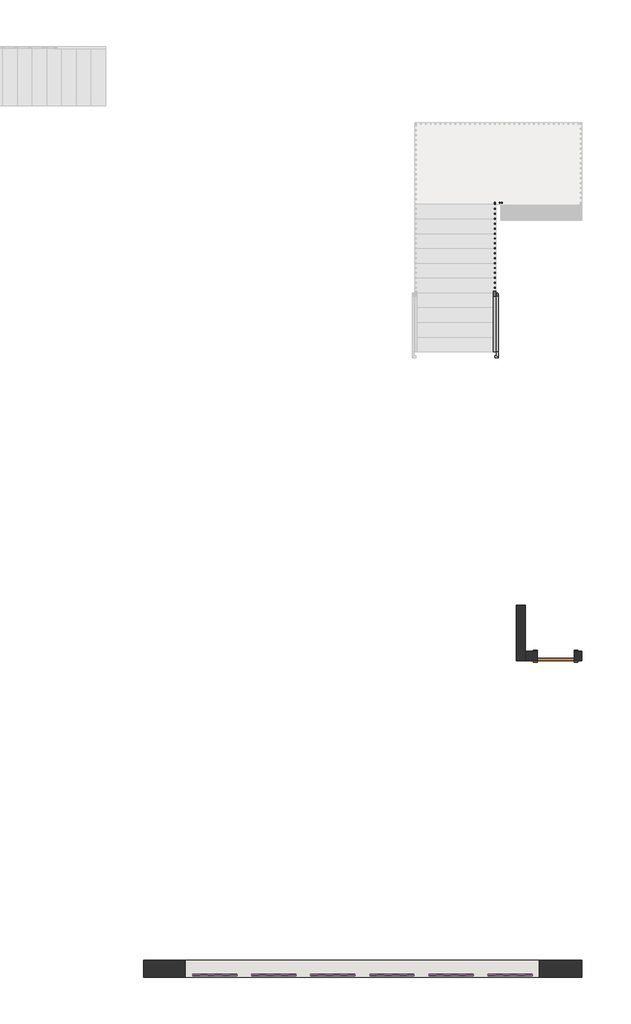
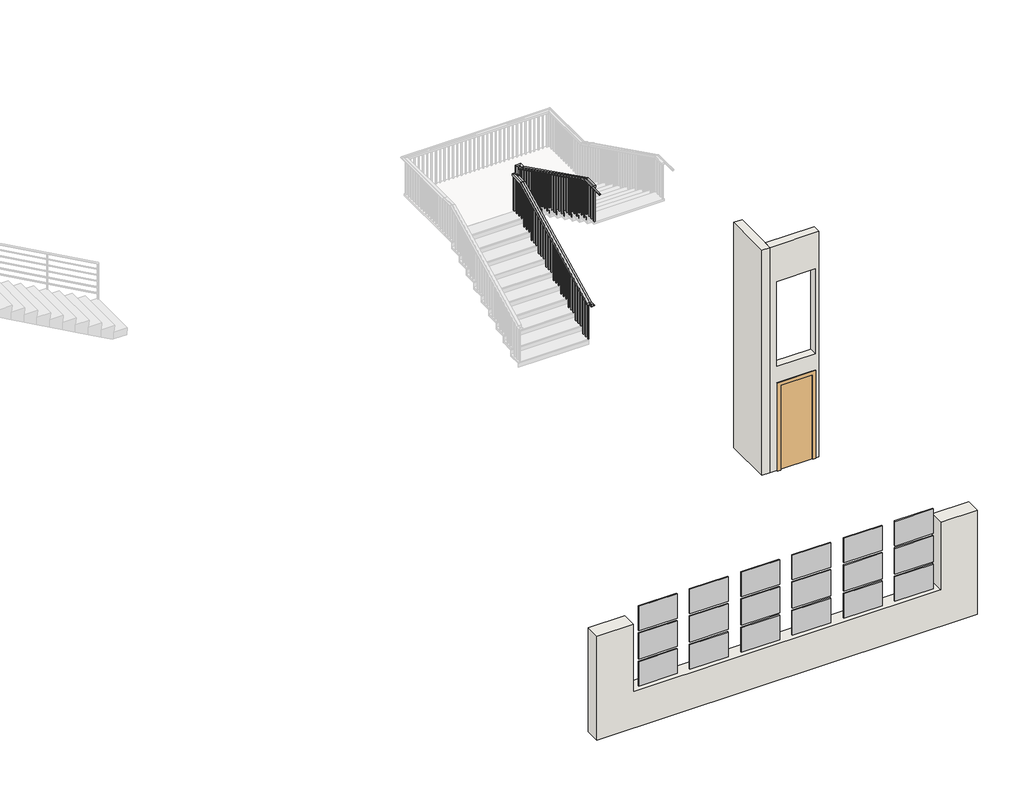
# One storey, part 1 of 3: 18 plates, 3 walls, 1 door, 1 railing.
"""IFC4 building model written with IfcOpenShell, lengths in millimetres."""

import ifcopenshell
import ifcopenshell.guid

model = None  # the IFC model being written
_history = None  # IfcOwnerHistory: only IFC2X3 demands one
_inside = {}  # id of a spatial element -> (the spatial element, [elements in it])
_under = {}  # id of a project, library or spatial element -> (it, [spatial elements below it])
_declared = {}  # id of a project -> (the project, [libraries it declares])
_typed = {}  # id of a type object -> (the type object, [elements of that type])
_made_of = {}  # id of a material, layer set ... -> (it, [elements and type objects made of it])


def new_model(schema):
    """Start an empty IFC model of exactly this schema.

    Asked for "IFC4X3", IfcOpenShell would pick the latest addendum, in which some entities
    have other attributes; the version numbers below select the first issue.
    IFC2X3 requires an IfcOwnerHistory on every rooted entity: one is made here for all.
    """
    global model, _history
    if schema == "IFC4X3":
        model = ifcopenshell.file(schema_version=(4, 3, 0, 0))
    else:
        model = ifcopenshell.file(schema=schema)
    _inside.clear()
    _under.clear()
    _declared.clear()
    _typed.clear()
    _made_of.clear()
    _history = None
    if model.schema == "IFC2X3":
        org = make("IfcOrganization", Name="unknown")
        user = make(
            "IfcPersonAndOrganization",
            ThePerson=make("IfcPerson", FamilyName="unknown"),
            TheOrganization=org,
        )
        app = make(
            "IfcApplication",
            ApplicationDeveloper=org,
            Version="unknown",
            ApplicationFullName="unknown",
            ApplicationIdentifier="unknown",
        )
        _history = make(
            "IfcOwnerHistory",
            OwningUser=user,
            OwningApplication=app,
            ChangeAction="ADDED",
            CreationDate=0,
        )
    return model


def make(cls, **values):
    """One entity of the class cls with the attributes given. An attribute that is None is left unset."""
    return model.create_entity(
        cls, **{name: value for name, value in values.items() if value is not None}
    )


def rooted(cls, **values):
    """An entity with a GlobalId (a new one), such as an element, a storey or a relation."""
    return make(cls, GlobalId=ifcopenshell.guid.new(), OwnerHistory=_history, **values)


def si_unit(unit_type, name, prefix=None):
    """IfcSIUnit, for example si_unit("LENGTHUNIT", "METRE", prefix="MILLI")."""
    return make("IfcSIUnit", UnitType=unit_type, Prefix=prefix, Name=name)


def assignment(units):
    """IfcUnitAssignment: the units of a project."""
    return None if units is None else make("IfcUnitAssignment", Units=units)


def point(xyz):
    """IfcCartesianPoint."""
    return None if xyz is None else make("IfcCartesianPoint", Coordinates=xyz)


def direction(xyz):
    """IfcDirection."""
    return None if xyz is None else make("IfcDirection", DirectionRatios=xyz)


def frame(location, z_axis=None, x_axis=None):
    """IfcAxis2Placement3D, a coordinate frame: its origin and axes. An axis left out is left unset."""
    return make(
        "IfcAxis2Placement3D",
        Location=point(location),
        Axis=direction(z_axis),
        RefDirection=direction(x_axis),
    )


def origin():
    """The frame at (0, 0, 0) with its axes left unset."""
    return frame((0.0, 0.0, 0.0))


def origin_with_axes():
    """The frame at (0, 0, 0) with the z axis (0, 0, 1) and the x axis (1, 0, 0) written out."""
    return frame((0.0, 0.0, 0.0), z_axis=(0.0, 0.0, 1.0), x_axis=(1.0, 0.0, 0.0))


def place(relative_to, where):
    """IfcLocalPlacement: puts the frame where relative to a parent placement (None: the world)."""
    return make(
        "IfcLocalPlacement", PlacementRelTo=relative_to, RelativePlacement=where
    )


def context(
    kind, dimensions, precision=None, world=None, true_north=None, identifier=None
):
    """IfcGeometricRepresentationContext, for example the 3D "Model" context."""
    return make(
        "IfcGeometricRepresentationContext",
        ContextIdentifier=identifier,
        ContextType=kind,
        CoordinateSpaceDimension=dimensions,
        Precision=precision,
        WorldCoordinateSystem=world,
        TrueNorth=true_north,
    )


def project(units=None, contexts=None):
    """IfcProject with its units and contexts."""
    return rooted(
        "IfcProject",
        Name="project",
        RepresentationContexts=contexts,
        UnitsInContext=assignment(units),
    )


def spatial(cls, under=None, at=None, **own):
    """A site, building, storey or space (cls), placed at a placement, below another one or the project."""
    s = rooted(cls, ObjectPlacement=at, **own)
    if under is not None:
        _under.setdefault(under.id(), (under, []))[1].append(s)
    return s


def polyline(points):
    """IfcPolyline through the points."""
    return make("IfcPolyline", Points=[point(p) for p in points])


def circle_curve(where, radius):
    """IfcCircle in the frame where."""
    return make("IfcCircle", Position=where, Radius=radius)


def ellipse_curve(where, semi_axis1, semi_axis2):
    """IfcEllipse in the frame where."""
    return make(
        "IfcEllipse", Position=where, SemiAxis1=semi_axis1, SemiAxis2=semi_axis2
    )


def outline(outer, holes=None, kind="AREA"):
    """IfcArbitraryClosedProfileDef: a profile drawn as a closed curve; with holes, ...WithVoids."""
    if holes is None:
        return make("IfcArbitraryClosedProfileDef", ProfileType=kind, OuterCurve=outer)
    return make(
        "IfcArbitraryProfileDefWithVoids",
        ProfileType=kind,
        OuterCurve=outer,
        InnerCurves=holes,
    )


def extrude(swept, where, along, depth):
    """IfcExtrudedAreaSolid: the profile swept, set in the frame where, extruded along a direction by depth."""
    return make(
        "IfcExtrudedAreaSolid",
        SweptArea=swept,
        Position=where,
        ExtrudedDirection=direction(along),
        Depth=depth,
    )


def faces_of(points, faces, orient=None, outer=None):
    """IfcFace entities. A face is a list of loops; a loop is a list of indices into points, from 0.

    orient and outer hold one flag for each loop. By default every Orientation is true, the
    first loop of a face is its IfcFaceOuterBound and the others are IfcFaceBound.
    """
    made = []
    for i, loops in enumerate(faces):
        bounds = []
        for j, loop in enumerate(loops):
            is_outer = j == 0 if outer is None else outer[i][j]
            bounds.append(
                make(
                    "IfcFaceOuterBound" if is_outer else "IfcFaceBound",
                    Bound=make("IfcPolyLoop", Polygon=[points[k] for k in loop]),
                    Orientation=True if orient is None else orient[i][j],
                )
            )
        made.append(make("IfcFace", Bounds=bounds))
    return made


def faceted_brep(points, faces, orient=None, outer=None, voids=None):
    """IfcFacetedBrep: a solid bounded by flat faces; with voids (closed shells), ...WithVoids."""
    shared = [point(p) for p in points]
    hull = make("IfcClosedShell", CfsFaces=faces_of(shared, faces, orient, outer))
    if voids is None:
        return make("IfcFacetedBrep", Outer=hull)
    return make(
        "IfcFacetedBrepWithVoids",
        Outer=hull,
        Voids=[
            make(cls, CfsFaces=faces_of(shared, fs, o, b)) for cls, fs, o, b in voids
        ],
    )


def shape(context_of_items, identifier, shape_type, items):
    """IfcShapeRepresentation: the items that make up one representation, for example the "Body"."""
    return make(
        "IfcShapeRepresentation",
        ContextOfItems=context_of_items,
        RepresentationIdentifier=identifier,
        RepresentationType=shape_type,
        Items=items,
    )


def source(mapping_origin, context_of_items, identifier, shape_type, items):
    """IfcRepresentationMap: a shape defined once, which mapped items show again and again."""
    return make(
        "IfcRepresentationMap",
        MappingOrigin=mapping_origin,
        MappedRepresentation=shape(context_of_items, identifier, shape_type, items),
    )


def transform(
    local_origin,
    x_axis=None,
    y_axis=None,
    z_axis=None,
    scale=None,
    scale2=None,
    scale3=None,
    uniform=True,
):
    """IfcCartesianTransformationOperator3D, or its non-uniform kind. x_axis, y_axis, z_axis: its Axis1, 2, 3."""
    if uniform:
        return make(
            "IfcCartesianTransformationOperator3D",
            Axis1=direction(x_axis),
            Axis2=direction(y_axis),
            LocalOrigin=point(local_origin),
            Scale=scale,
            Axis3=direction(z_axis),
        )
    return make(
        "IfcCartesianTransformationOperator3DnonUniform",
        Axis1=direction(x_axis),
        Axis2=direction(y_axis),
        LocalOrigin=point(local_origin),
        Scale=scale,
        Axis3=direction(z_axis),
        Scale2=scale2,
        Scale3=scale3,
    )


def mapped(mapping_source, mapping_target):
    """IfcMappedItem: shows the shape of a source again, moved by a transform."""
    return make(
        "IfcMappedItem", MappingSource=mapping_source, MappingTarget=mapping_target
    )


def made_of(thing, what):
    """Note that an element or type object is made of a material, layer set ...; save() writes the relation."""
    if what is not None:
        _made_of.setdefault(what.id(), (what, []))[1].append(thing)
    return thing


def element(
    cls,
    number,
    at=None,
    inside=None,
    cuts=None,
    type_object=None,
    material=None,
    context=None,
    identifier="Body",
    shape_type=None,
    held_by="IfcProductDefinitionShape",
    body=None,
    shapes=None,
    **own,
):
    """One element of the class cls, such as IfcWall. Its Tag is "e" and its number.

    at: its placement. inside: the storey or other place that contains it. cuts: it is an
    opening in that element (IfcRelVoidsElement). A single representation is given by context,
    identifier, shape_type and body (its items); several are given by shapes. held_by: the class
    of the entity that holds the representations. save() writes the other relations.
    """
    e = rooted(cls, Tag="e%d" % number, ObjectPlacement=at, **own)
    if body is not None:
        shapes = [shape(context, identifier, shape_type, body)]
    if shapes is not None:
        e.Representation = make(held_by, Representations=shapes)
    if inside is not None:
        _inside.setdefault(inside.id(), (inside, []))[1].append(e)
    if cuts is not None:
        rooted(
            "IfcRelVoidsElement", RelatingBuildingElement=cuts, RelatedOpeningElement=e
        )
    if type_object is not None:
        _typed.setdefault(type_object.id(), (type_object, []))[1].append(e)
    return made_of(e, material)


def aggregate(whole, parts):
    """IfcRelAggregates: a whole, such as a stair, and the parts it consists of."""
    return rooted("IfcRelAggregates", RelatingObject=whole, RelatedObjects=parts)


def save(model, path):
    """Write the relations noted so far, then the file.

    IfcRelAggregates (storeys below a building ...), IfcRelContainedInSpatialStructure (elements
    in a storey), IfcRelDefinesByType, IfcRelAssociatesMaterial and IfcRelDeclares: one each for
    every whole, place, type object, material and project.
    """
    for whole, parts in _under.values():
        aggregate(whole, parts)
    for where, things in _inside.values():
        rooted(
            "IfcRelContainedInSpatialStructure",
            RelatedElements=things,
            RelatingStructure=where,
        )
    for kind, things in _typed.values():
        rooted("IfcRelDefinesByType", RelatedObjects=things, RelatingType=kind)
    for what, things in _made_of.values():
        rooted("IfcRelAssociatesMaterial", RelatedObjects=things, RelatingMaterial=what)
    for by, libraries in _declared.values():
        rooted("IfcRelDeclares", RelatingContext=by, RelatedDefinitions=libraries)
    model.write(path)


def plane_surface(at):
    """IfcPlane: the flat surface through the origin of the frame at, square to its z axis."""
    return make("IfcPlane", Position=at)


def cylinder_surface(at, radius):
    """IfcCylindricalSurface: all points at the distance radius from the z axis of the frame at."""
    return make("IfcCylindricalSurface", Position=at, Radius=radius)


def advanced_brep(points, edges, surfaces, faces):
    """IfcAdvancedBrep: a solid bounded by faces that lie on surfaces and meet in shared edges.

    An edge is (start, end): straight between two places in points (the first is 0);
    or (start, end, curve); or (start, end, curve, False) where it runs against its curve.
    A face is (place in surfaces, loops), or (place, loops, False) where it looks against
    its surface's normal. A loop lists edges by number (the first is 1), with a minus sign
    where the edge is run from its end to its start. The first loop is the outer one.
    """
    corners = [point(p) for p in points]
    vertices = [make("IfcVertexPoint", VertexGeometry=c) for c in corners]
    made = []
    for start, end, *more in edges:
        made.append(
            make(
                "IfcEdgeCurve",
                EdgeStart=vertices[start],
                EdgeEnd=vertices[end],
                EdgeGeometry=more[0] if more else make("IfcPolyline", Points=[corners[start], corners[end]]),
                SameSense=more[1] if len(more) > 1 else True,
            )
        )
    hull = []
    for where, loops, *sense in faces:
        bounds = []
        for j, loop in enumerate(loops):
            ring = [make("IfcOrientedEdge", EdgeElement=made[abs(k) - 1], Orientation=k > 0) for k in loop]
            bounds.append(
                make(
                    "IfcFaceOuterBound" if j == 0 else "IfcFaceBound",
                    Bound=make("IfcEdgeLoop", EdgeList=ring),
                    Orientation=True,
                )
            )
        hull.append(make("IfcAdvancedFace", Bounds=bounds, FaceSurface=surfaces[where], SameSense=sense[0] if sense else True))
    return make("IfcAdvancedBrep", Outer=make("IfcClosedShell", CfsFaces=hull))


def door_e38c93b8(model_context):
    return source(origin(), model_context, "Body", "SweptSolid", [
        extrude(outline(polyline([(2209.8, -457.2), (0.0, -457.2), (0.0, -381.0), (2133.6, -381.0), (2133.6, 381.0), (0.0, 381.0), (0.0, 457.2), (2209.8, 457.2), (2209.8, -457.2)])), frame((0.0, -122.2375, 0.0), z_axis=(0.0, 1.0, 0.0), x_axis=(0.0, 0.0, 1.0)), (0.0, 0.0, 1.0), 25.4),
        extrude(outline(polyline([(2209.8, 457.2), (2209.8, -457.2), (0.0, -457.2), (0.0, -381.0), (2133.6, -381.0), (2133.6, 381.0), (0.0, 381.0), (0.0, 457.2), (2209.8, 457.2)])), frame((0.0, 96.8375, 0.0), z_axis=(0.0, 1.0, 0.0), x_axis=(0.0, 0.0, 1.0)), (0.0, 0.0, 1.0), 25.4),
        extrude(outline(polyline([(381.0, -46.0375), (381.0, -96.8375), (-381.0, -96.8375), (-381.0, -46.0375), (381.0, -46.0375)])), origin_with_axes(), (0.0, 0.0, 1.0), 2133.6),
    ])


def system_panel_glazed_7d1a27c5(model_context):
    return source(origin(), model_context, "Body", "SweptSolid", [
        extrude(outline(polyline([(457.2, 19.05), (-457.2, 19.05), (-457.2, 44.45), (457.2, 44.45), (457.2, 19.05)])), origin_with_axes(), (0.0, 0.0, 1.0), 615.95),
    ])


def system_panel_glazed_84c36aa7(model_context):
    return source(origin(), model_context, "Body", "SweptSolid", [
        extrude(outline(polyline([(457.2, -44.45), (-457.2, -44.45), (-457.2, -19.05), (457.2, -19.05), (457.2, -44.45)])), origin_with_axes(), (0.0, 0.0, 1.0), 615.95),
    ])


def system_panel_glazed_f776daa4(model_context):
    return source(origin(), model_context, "Body", "SweptSolid", [
        extrude(outline(polyline([(457.2, -44.45), (-457.2, -44.45), (-457.2, -19.05), (457.2, -19.05), (457.2, -44.45)])), origin_with_axes(), (0.0, 0.0, 1.0), 647.7),
    ])


def system_panel_glazed_cf581d31(model_context):
    return source(origin(), model_context, "Body", "SweptSolid", [
        extrude(outline(polyline([(457.2, 19.05), (-457.2, 19.05), (-457.2, 44.45), (457.2, 44.45), (457.2, 19.05)])), origin_with_axes(), (0.0, 0.0, 1.0), 647.7),
    ])


model = new_model("IFC4")

# Units and contexts
model_context = context("Model", 3, world=origin())
ifc_project = project(units=[si_unit("LENGTHUNIT", "METRE", prefix="MILLI")], contexts=[model_context])

# Site, building, storey
site = spatial("IfcSite", under=ifc_project)
building = spatial("IfcBuilding", under=site)
storey = spatial("IfcBuildingStorey", under=building, Elevation=-3632.2)

# Door
placement = place(None, origin())
door_shape = door_e38c93b8(model_context)
element("IfcDoor", 1, ObjectType="Single-Flush : 30\" x 84\"", at=placement, inside=storey, context=model_context, shape_type="MappedRepresentation", body=[
    mapped(door_shape, transform((-153586.383304, 215410.3060598, -3632.2), x_axis=(1.0, 0.0, 0.0), y_axis=(0.0, 1.0, 0.0), z_axis=(0.0, 0.0, 1.0))),
])

# Plates
system_panel_glazed_shape = system_panel_glazed_7d1a27c5(model_context)
element("IfcPlate", 2, ObjectType="System Panel : Glazed", at=placement, inside=storey, context=model_context, shape_type="MappedRepresentation", body=[
    mapped(system_panel_glazed_shape, transform((-158185.071337, 208864.5706745, -2654.3), x_axis=(-1.0, 0.0, 0.0), y_axis=(0.0, -1.0, 0.0), z_axis=(0.0, 0.0, 1.0))),
])
element("IfcPlate", 3, ObjectType="System Panel : Glazed", at=placement, inside=storey, context=model_context, shape_type="MappedRepresentation", body=[
    mapped(system_panel_glazed_shape, transform((-155746.671337, 208864.5706745, -2654.3), x_axis=(-1.0, 0.0, 0.0), y_axis=(0.0, -1.0, 0.0), z_axis=(0.0, 0.0, 1.0))),
])
element("IfcPlate", 4, ObjectType="System Panel : Glazed", at=placement, inside=storey, context=model_context, shape_type="MappedRepresentation", body=[
    mapped(system_panel_glazed_shape, transform((-155746.671337, 208864.5706745, -1263.65), x_axis=(-1.0, 0.0, 0.0), y_axis=(0.0, -1.0, 0.0), z_axis=(0.0, 0.0, 1.0))),
])
element("IfcPlate", 5, ObjectType="System Panel : Glazed", at=placement, inside=storey, context=model_context, shape_type="MappedRepresentation", body=[
    mapped(system_panel_glazed_shape, transform((-158185.071337, 208864.5706745, -1263.65), x_axis=(-1.0, 0.0, 0.0), y_axis=(0.0, -1.0, 0.0), z_axis=(0.0, 0.0, 1.0))),
])
element("IfcPlate", 6, ObjectType="System Panel : Glazed", at=placement, inside=storey, context=model_context, shape_type="MappedRepresentation", body=[
    mapped(system_panel_glazed_shape, transform((-160623.471337, 208864.5706745, -2654.3), x_axis=(-1.0, 0.0, 0.0), y_axis=(0.0, -1.0, 0.0), z_axis=(0.0, 0.0, 1.0))),
])
element("IfcPlate", 7, ObjectType="System Panel : Glazed", at=placement, inside=storey, context=model_context, shape_type="MappedRepresentation", body=[
    mapped(system_panel_glazed_shape, transform((-160623.471337, 208864.5706745, -1263.65), x_axis=(-1.0, 0.0, 0.0), y_axis=(0.0, -1.0, 0.0), z_axis=(0.0, 0.0, 1.0))),
])
system_panel_glazed_2_shape = system_panel_glazed_84c36aa7(model_context)
element("IfcPlate", 8, ObjectType="System Panel : Glazed", at=placement, inside=storey, context=model_context, shape_type="MappedRepresentation", body=[
    mapped(system_panel_glazed_2_shape, transform((-159404.271337, 208864.5706745, -2654.3), x_axis=(1.0, 0.0, 0.0), y_axis=(0.0, 1.0, 0.0), z_axis=(0.0, 0.0, 1.0))),
])
element("IfcPlate", 9, ObjectType="System Panel : Glazed", at=placement, inside=storey, context=model_context, shape_type="MappedRepresentation", body=[
    mapped(system_panel_glazed_2_shape, transform((-156965.871337, 208864.5706745, -2654.3), x_axis=(1.0, 0.0, 0.0), y_axis=(0.0, 1.0, 0.0), z_axis=(0.0, 0.0, 1.0))),
])
element("IfcPlate", 10, ObjectType="System Panel : Glazed", at=placement, inside=storey, context=model_context, shape_type="MappedRepresentation", body=[
    mapped(system_panel_glazed_2_shape, transform((-154527.471337, 208864.5706745, -2654.3), x_axis=(1.0, 0.0, 0.0), y_axis=(0.0, 1.0, 0.0), z_axis=(0.0, 0.0, 1.0))),
])
element("IfcPlate", 11, ObjectType="System Panel : Glazed", at=placement, inside=storey, context=model_context, shape_type="MappedRepresentation", body=[
    mapped(system_panel_glazed_2_shape, transform((-154527.471337, 208864.5706745, -1263.65), x_axis=(1.0, 0.0, 0.0), y_axis=(0.0, 1.0, 0.0), z_axis=(0.0, 0.0, 1.0))),
])
element("IfcPlate", 12, ObjectType="System Panel : Glazed", at=placement, inside=storey, context=model_context, shape_type="MappedRepresentation", body=[
    mapped(system_panel_glazed_2_shape, transform((-156965.871337, 208864.5706745, -1263.65), x_axis=(1.0, 0.0, 0.0), y_axis=(0.0, 1.0, 0.0), z_axis=(0.0, 0.0, 1.0))),
])
element("IfcPlate", 13, ObjectType="System Panel : Glazed", at=placement, inside=storey, context=model_context, shape_type="MappedRepresentation", body=[
    mapped(system_panel_glazed_2_shape, transform((-159404.271337, 208864.5706745, -1263.65), x_axis=(1.0, 0.0, 0.0), y_axis=(0.0, 1.0, 0.0), z_axis=(0.0, 0.0, 1.0))),
])
system_panel_glazed_3_shape = system_panel_glazed_f776daa4(model_context)
element("IfcPlate", 14, ObjectType="System Panel : Glazed", at=placement, inside=storey, context=model_context, shape_type="MappedRepresentation", body=[
    mapped(system_panel_glazed_3_shape, transform((-154527.471337, 208864.5706745, -1974.85), x_axis=(1.0, 0.0, 0.0), y_axis=(0.0, 1.0, 0.0), z_axis=(0.0, 0.0, 1.0))),
])
element("IfcPlate", 15, ObjectType="System Panel : Glazed", at=placement, inside=storey, context=model_context, shape_type="MappedRepresentation", body=[
    mapped(system_panel_glazed_3_shape, transform((-156965.871337, 208864.5706745, -1974.85), x_axis=(1.0, 0.0, 0.0), y_axis=(0.0, 1.0, 0.0), z_axis=(0.0, 0.0, 1.0))),
])
element("IfcPlate", 16, ObjectType="System Panel : Glazed", at=placement, inside=storey, context=model_context, shape_type="MappedRepresentation", body=[
    mapped(system_panel_glazed_3_shape, transform((-159404.271337, 208864.5706745, -1974.85), x_axis=(1.0, 0.0, 0.0), y_axis=(0.0, 1.0, 0.0), z_axis=(0.0, 0.0, 1.0))),
])
system_panel_glazed_4_shape = system_panel_glazed_cf581d31(model_context)
element("IfcPlate", 17, ObjectType="System Panel : Glazed", at=placement, inside=storey, context=model_context, shape_type="MappedRepresentation", body=[
    mapped(system_panel_glazed_4_shape, transform((-155746.671337, 208864.5706745, -1974.85), x_axis=(-1.0, 0.0, 0.0), y_axis=(0.0, -1.0, 0.0), z_axis=(0.0, 0.0, 1.0))),
])
element("IfcPlate", 18, ObjectType="System Panel : Glazed", at=placement, inside=storey, context=model_context, shape_type="MappedRepresentation", body=[
    mapped(system_panel_glazed_4_shape, transform((-158185.071337, 208864.5706745, -1974.85), x_axis=(-1.0, 0.0, 0.0), y_axis=(0.0, -1.0, 0.0), z_axis=(0.0, 0.0, 1.0))),
])
element("IfcPlate", 19, ObjectType="System Panel : Glazed", at=placement, inside=storey, context=model_context, shape_type="MappedRepresentation", body=[
    mapped(system_panel_glazed_4_shape, transform((-160623.471337, 208864.5706745, -1974.85), x_axis=(-1.0, 0.0, 0.0), y_axis=(0.0, -1.0, 0.0), z_axis=(0.0, 0.0, 1.0))),
])

# Railing
element("IfcRailing", 20, ObjectType="Handrail - Rectangular", at=placement, inside=storey, context=model_context, shape_type="SolidModel", body=[
    advanced_brep(
    [(-154807.0011888, 221692.8927694, -3016.25), (-154768.9011888, 221692.8927694, -3016.25), (-154768.9011888, 224436.0927694, -1644.65), (-154807.0011888, 224436.0927694, -1644.65), (-154768.9011888, 224685.5956745, -1644.65), (-154807.0011888, 224723.6956745, -1644.65), (-154752.7239901, 224685.5956745, -1644.65), (-154752.7239901, 224723.6956745, -1644.65), (-154845.1011888, 221567.7456745, -3016.25), (-154845.1011888, 221605.8456745, -3016.25), (-154768.9011888, 221567.7456745, -3016.25), (-154807.0011888, 221605.8456745, -3016.25)],
    [
        (0, 1, ellipse_curve(frame((-154787.9511888, 221692.8927694, -3016.25), z_axis=(0.0, 0.9732489894677302, 0.22975292054736124), x_axis=(0.0, 0.22975292054736138, -0.97324898946773)), 19.573614, 19.05)),
        (1, 2),
        (2, 3, ellipse_curve(frame((-154787.9511888, 224436.0927694, -1644.65), z_axis=(0.0, -0.9732489894677302, -0.22975292054736132), x_axis=(0.0, 0.2297529205473615, -0.9732489894677301)), 19.573614, 19.05)),
        (3, 0),
        (1, 0, ellipse_curve(frame((-154787.9511888, 221692.8927694, -3016.25), z_axis=(0.0, 0.9732489894677302, 0.22975292054736124), x_axis=(0.0, 0.22975292054736138, -0.97324898946773)), 19.573614, 19.05)),
        (3, 2, ellipse_curve(frame((-154787.9511888, 224436.0927694, -1644.65), z_axis=(0.0, -0.9732489894677302, -0.22975292054736132), x_axis=(0.0, 0.2297529205473615, -0.9732489894677301)), 19.573614, 19.05)),
        (2, 4),
        (4, 5, ellipse_curve(frame((-154787.9511888, 224704.6456745, -1644.65), z_axis=(-0.7071067811865475, -0.7071067811865475, 0.0), x_axis=(0.7071067811865474, -0.7071067811865476, 0.0)), 26.9407684, 19.05)),
        (5, 3),
        (5, 4, ellipse_curve(frame((-154787.9511888, 224704.6456745, -1644.65), z_axis=(-0.7071067811865475, -0.7071067811865475, 0.0), x_axis=(0.7071067811865474, -0.7071067811865476, 0.0)), 26.9407684, 19.05)),
        (6, 7, circle_curve(frame((-154752.7239901, 224704.6456745, -1644.65), z_axis=(1.0, 0.0, 0.0), x_axis=(0.0, 1.0, 0.0)), 19.05)),
        (7, 6, circle_curve(frame((-154752.7239901, 224704.6456745, -1644.65), z_axis=(1.0, 0.0, 0.0), x_axis=(0.0, 1.0, 0.0)), 19.05)),
        (4, 6),
        (7, 5),
        (8, 9, circle_curve(frame((-154845.1011888, 221586.7956745, -3016.25), z_axis=(-1.0, 0.0, 0.0), x_axis=(0.0, 1.0, 0.0)), 19.05)),
        (9, 8, circle_curve(frame((-154845.1011888, 221586.7956745, -3016.25), z_axis=(-1.0, 0.0, 0.0), x_axis=(0.0, 1.0, 0.0)), 19.05)),
        (8, 10),
        (10, 11, ellipse_curve(frame((-154787.9511888, 221586.7956745, -3016.25), z_axis=(-0.7071067811865475, -0.7071067811865475, 0.0), x_axis=(-0.7071067811865476, 0.7071067811865474, 0.0)), 26.9407684, 19.05)),
        (11, 9),
        (11, 10, ellipse_curve(frame((-154787.9511888, 221586.7956745, -3016.25), z_axis=(-0.7071067811865475, -0.7071067811865475, 0.0), x_axis=(-0.7071067811865476, 0.7071067811865474, 0.0)), 26.9407684, 19.05)),
        (10, 1),
        (0, 11),
    ],
    [
        cylinder_surface(frame((-154787.9511888, 221696.9150935, -3014.238838), z_axis=(0.0, -0.8944271909999159, -0.44721359549995804), x_axis=(-1.0, 0.0, 0.0)), 19.05),
        cylinder_surface(frame((-154787.9511888, 224431.5956745, -1644.65), z_axis=(0.0, -1.0, 0.0), x_axis=(-1.0, 0.0, 0.0)), 19.05),
        plane_surface(frame((-154752.7239901, 224704.6456745, -1663.7), z_axis=(1.0, 0.0, 0.0), x_axis=(0.0, 1.0, 0.0))),
        cylinder_surface(frame((-154787.9511888, 224704.6456745, -1644.65), z_axis=(-1.0, 0.0, 0.0), x_axis=(0.0, 1.0, 0.0)), 19.05),
        plane_surface(frame((-154845.1011888, 221586.7956745, -2997.2), z_axis=(-1.0, 0.0, 0.0), x_axis=(0.0, 1.0, 0.0))),
        cylinder_surface(frame((-154845.1011888, 221586.7956745, -3016.25), z_axis=(-1.0, 0.0, 0.0), x_axis=(0.0, 1.0, 0.0)), 19.05),
        cylinder_surface(frame((-154787.9511888, 221586.7956745, -3016.25), z_axis=(0.0, -1.0, 0.0), x_axis=(-1.0, 0.0, 0.0)), 19.05),
    ],
    [
        (0, [[1, 2, 3, 4]]),
        (0, [[5, -4, 6, -2]]),
        (1, [[-3, 7, 8, 9]]),
        (1, [[-6, -9, 10, -7]]),
        (2, [[11, 12]]),
        (3, [[-8, 13, -12, 14]]),
        (3, [[-10, -14, -11, -13]]),
        (4, [[15, 16]]),
        (5, [[-15, 17, 18, 19]]),
        (5, [[-16, -19, 20, -17]]),
        (6, [[-18, 21, -1, 22]]),
        (6, [[-20, -22, -5, -21]]),
    ],
),
    advanced_brep(
    [(-154752.7239901, 224685.5956745, -1644.65), (-154752.7239901, 224723.6956745, -1644.65), (-154752.7239901, 224685.5956745, -1490.397095), (-154752.7239901, 224723.6956745, -1466.85)],
    [
        (0, 1, ellipse_curve(frame((-154752.7239901, 224704.6456745, -1644.65), z_axis=(-0.7071067811865476, 0.0, -0.7071067811865476), x_axis=(0.7071067811865476, 0.0, -0.7071067811865474)), 26.9407684, 19.05)),
        (1, 0, ellipse_curve(frame((-154752.7239901, 224704.6456745, -1644.65), z_axis=(-0.7071067811865476, 0.0, -0.7071067811865476), x_axis=(0.7071067811865476, 0.0, -0.7071067811865474)), 26.9407684, 19.05)),
        (2, 3, ellipse_curve(frame((-154752.7239901, 224704.6456745, -1478.6235475), z_axis=(0.0, -0.5257311121191336, 0.85065080835204), x_axis=(0.0, -0.8506508083520401, -0.5257311121191335)), 22.3946181, 19.05)),
        (3, 2, ellipse_curve(frame((-154752.7239901, 224704.6456745, -1478.6235475), z_axis=(0.0, -0.5257311121191336, 0.85065080835204), x_axis=(0.0, -0.8506508083520401, -0.5257311121191335)), 22.3946181, 19.05)),
        (0, 2),
        (3, 1),
    ],
    [
        plane_surface(frame((-154752.7239901, 224704.6456745, -1644.65), z_axis=(-0.7071067811865476, 0.0, -0.7071067811865476), x_axis=(0.7071067811865476, 0.0, -0.7071067811865476))),
        plane_surface(frame((-154752.7239901, 224704.6456745, -1478.6235475), z_axis=(0.0, -0.5257311121191336, 0.85065080835204), x_axis=(1.0, 0.0, 0.0))),
        cylinder_surface(frame((-154752.7239901, 224704.6456745, -1644.65), z_axis=(0.0, 0.0, -1.0), x_axis=(0.0, 1.0, 0.0)), 19.05),
    ],
    [
        (0, [[1, 2]]),
        (1, [[3, 4]]),
        (2, [[-1, 5, -4, 6]]),
        (2, [[-2, -6, -3, -5]]),
    ],
),
    advanced_brep(
    [(-154771.7739901, 224704.6456745, -1478.6235475), (-154733.6739901, 224704.6456745, -1478.6235475), (-154771.7739901, 221988.6985795, -120.65), (-154733.6739901, 221988.6985795, -120.65), (-154771.7739901, 221688.3956745, -120.65), (-154733.6739901, 221688.3956745, -120.65), (-154771.7739901, 221383.5956745, -120.65), (-154733.6739901, 221383.5956745, -120.65)],
    [
        (0, 1, ellipse_curve(frame((-154752.7239901, 224704.6456745, -1478.6235475), z_axis=(0.0, 0.5257311121191336, -0.85065080835204), x_axis=(0.0, 0.8506508083520401, 0.5257311121191337)), 22.3946181, 19.05)),
        (1, 0, ellipse_curve(frame((-154752.7239901, 224704.6456745, -1478.6235475), z_axis=(0.0, 0.5257311121191336, -0.85065080835204), x_axis=(0.0, 0.8506508083520401, 0.5257311121191337)), 22.3946181, 19.05)),
        (0, 2),
        (2, 3, ellipse_curve(frame((-154752.7239901, 221988.6985795, -120.65), z_axis=(0.0, 0.9732489894677303, -0.22975292054736124), x_axis=(0.0, -0.22975292054736246, -0.97324898946773)), 19.573614, 19.05)),
        (3, 1),
        (3, 2, ellipse_curve(frame((-154752.7239901, 221988.6985795, -120.65), z_axis=(0.0, 0.9732489894677303, -0.22975292054736124), x_axis=(0.0, -0.22975292054736246, -0.97324898946773)), 19.573614, 19.05)),
        (2, 4),
        (4, 5, circle_curve(frame((-154752.7239901, 221688.3956745, -120.65), z_axis=(0.0, 1.0, 0.0), x_axis=(1.0, 0.0, 0.0)), 19.05)),
        (5, 3),
        (5, 4, circle_curve(frame((-154752.7239901, 221688.3956745, -120.65), z_axis=(0.0, 1.0, 0.0), x_axis=(1.0, 0.0, 0.0)), 19.05)),
        (6, 7, circle_curve(frame((-154752.7239901, 221383.5956745, -120.65), z_axis=(0.0, -1.0, 0.0), x_axis=(1.0, 0.0, 0.0)), 19.05)),
        (7, 6, circle_curve(frame((-154752.7239901, 221383.5956745, -120.65), z_axis=(0.0, -1.0, 0.0), x_axis=(1.0, 0.0, 0.0)), 19.05)),
        (4, 6),
        (7, 5),
    ],
    [
        plane_surface(frame((-154752.7239901, 224723.6956745, -1466.85), z_axis=(0.0, 0.5257311121191336, -0.85065080835204), x_axis=(1.0, 0.0, 0.0))),
        cylinder_surface(frame((-154752.7239901, 224715.1762555, -1483.888838), z_axis=(0.0, 0.894427190999916, -0.447213595499958), x_axis=(1.0, 0.0, 0.0)), 19.05),
        cylinder_surface(frame((-154752.7239901, 221993.1956745, -120.65), z_axis=(0.0, 1.0, 0.0), x_axis=(1.0, 0.0, 0.0)), 19.05),
        plane_surface(frame((-154752.7239901, 221383.5956745, -101.6), z_axis=(0.0, -1.0, 0.0), x_axis=(0.0, 0.0, -1.0))),
        cylinder_surface(frame((-154752.7239901, 221688.3956745, -120.65), z_axis=(0.0, 1.0, 0.0), x_axis=(1.0, 0.0, 0.0)), 19.05),
    ],
    [
        (0, [[1, 2]]),
        (1, [[-1, 3, 4, 5]]),
        (1, [[-2, -5, 6, -3]]),
        (2, [[-4, 7, 8, 9]]),
        (2, [[-6, -9, 10, -7]]),
        (3, [[11, 12]]),
        (4, [[-8, 13, -12, 14]]),
        (4, [[-10, -14, -11, -13]]),
    ],
),
    faceted_brep([(-154870.5011888, 221688.3956745, -2997.2), (-154870.5011888, 221688.3956745, -3053.9961266), (-154819.7011888, 221688.3956745, -3053.9961266), (-154819.7011888, 221688.3956745, -2997.2), (-154870.5011888, 224431.5956745, -1625.6), (-154870.5011888, 224443.5879277, -1676.4), (-154819.7011888, 224443.5879277, -1676.4), (-154819.7011888, 224431.5956745, -1625.6), (-154870.5011888, 224787.1956745, -1625.6), (-154870.5011888, 224787.1956745, -1676.4), (-154819.7011888, 224736.3956745, -1676.4), (-154819.7011888, 224736.3956745, -1625.6), (-154797.1739901, 224787.1956745, -1625.6), (-154746.3739901, 224787.1956745, -1676.4), (-154746.3739901, 224736.3956745, -1676.4), (-154797.1739901, 224736.3956745, -1625.6), (-154797.1739901, 224787.1956745, -1435.1), (-154746.3739901, 224787.1956745, -1485.9), (-154746.3739901, 224736.3956745, -1485.9), (-154797.1739901, 224736.3956745, -1435.1), (-154670.1739901, 224787.1956745, -1435.1), (-154670.1739901, 224787.1956745, -1485.9), (-154720.9739901, 224736.3956745, -1485.9), (-154720.9739901, 224736.3956745, -1435.1), (-154670.1739901, 224660.1956745, -1435.1), (-154670.1739901, 224648.2034212, -1485.9), (-154720.9739901, 224648.2034212, -1485.9), (-154720.9739901, 224660.1956745, -1435.1), (-154670.1739901, 221993.1956745, -101.6), (-154670.1739901, 221981.2034212, -152.4), (-154720.9739901, 221981.2034212, -152.4), (-154720.9739901, 221993.1956745, -101.6), (-154670.1739901, 221688.3956745, -101.6), (-154720.9739901, 221688.3956745, -101.6), (-154720.9739901, 221688.3956745, -152.4), (-154670.1739901, 221688.3956745, -152.4)], [[[0, 1, 2, 3]], [[1, 0, 4, 5]], [[2, 1, 5, 6]], [[3, 2, 6, 7]], [[0, 3, 7, 4]], [[5, 4, 8, 9]], [[6, 5, 9, 10]], [[7, 6, 10, 11]], [[4, 7, 11, 8]], [[9, 8, 12, 13]], [[10, 9, 13, 14]], [[11, 10, 14, 15]], [[8, 11, 15, 12]], [[13, 12, 16, 17]], [[14, 13, 17, 18]], [[15, 14, 18, 19]], [[12, 15, 19, 16]], [[17, 16, 20, 21]], [[18, 17, 21, 22]], [[19, 18, 22, 23]], [[16, 19, 23, 20]], [[21, 20, 24, 25]], [[22, 21, 25, 26]], [[23, 22, 26, 27]], [[20, 23, 27, 24]], [[25, 24, 28, 29]], [[26, 25, 29, 30]], [[27, 26, 30, 31]], [[24, 27, 31, 28]], [[32, 33, 34, 35]], [[29, 28, 32, 35]], [[30, 29, 35, 34]], [[31, 30, 34, 33]], [[28, 31, 33, 32]]]),
    extrude(outline(polyline([(-154705.0989901, 221723.3206745), (-154686.0489901, 221723.3206745), (-154686.0489901, 221704.2706745), (-154705.0989901, 221704.2706745), (-154705.0989901, 221723.3206745)])), frame((0.0, 0.0, -1016.0), z_axis=(0.0, 0.0, 1.0), x_axis=(1.0, 0.0, 0.0)), (0.0, 0.0, 1.0), 863.6),
    extrude(outline(polyline([(-154705.0989901, 221824.9206745), (-154686.0489901, 221824.9206745), (-154686.0489901, 221805.8706745), (-154705.0989901, 221805.8706745), (-154705.0989901, 221824.9206745)])), frame((0.0, 0.0, -1016.0), z_axis=(0.0, 0.0, 1.0), x_axis=(1.0, 0.0, 0.0)), (0.0, 0.0, 1.0), 863.6),
    extrude(outline(polyline([(-154705.0989901, 221926.5206745), (-154686.0489901, 221926.5206745), (-154686.0489901, 221907.4706745), (-154705.0989901, 221907.4706745), (-154705.0989901, 221926.5206745)])), frame((0.0, 0.0, -1016.0), z_axis=(0.0, 0.0, 1.0), x_axis=(1.0, 0.0, 0.0)), (0.0, 0.0, 1.0), 863.6),
    extrude(outline(polyline([(222009.0706745, -166.3336266), (222028.1206745, -175.8586266), (222028.1206745, -1168.4), (222009.0706745, -1168.4), (222009.0706745, -166.3336266)])), frame((-154705.0989901, 0.0, 0.0), z_axis=(1.0, 0.0, 0.0), x_axis=(0.0, 1.0, 0.0)), (0.0, 0.0, 1.0), 19.05),
    extrude(outline(polyline([(222110.6706745, -217.1336266), (222129.7206745, -226.6586266), (222129.7206745, -1168.4), (222110.6706745, -1168.4), (222110.6706745, -217.1336266)])), frame((-154705.0989901, 0.0, 0.0), z_axis=(1.0, 0.0, 0.0), x_axis=(0.0, 1.0, 0.0)), (0.0, 0.0, 1.0), 19.05),
    extrude(outline(polyline([(222212.2706745, -267.9336266), (222231.3206745, -277.4586266), (222231.3206745, -1168.4), (222212.2706745, -1168.4), (222212.2706745, -267.9336266)])), frame((-154705.0989901, 0.0, 0.0), z_axis=(1.0, 0.0, 0.0), x_axis=(0.0, 1.0, 0.0)), (0.0, 0.0, 1.0), 19.05),
    extrude(outline(polyline([(222313.8706745, -318.7336266), (222332.9206745, -328.2586266), (222332.9206745, -1320.8), (222313.8706745, -1320.8), (222313.8706745, -318.7336266)])), frame((-154705.0989901, 0.0, 0.0), z_axis=(1.0, 0.0, 0.0), x_axis=(0.0, 1.0, 0.0)), (0.0, 0.0, 1.0), 19.05),
    extrude(outline(polyline([(222415.4706745, -369.5336266), (222434.5206745, -379.0586266), (222434.5206745, -1320.8), (222415.4706745, -1320.8), (222415.4706745, -369.5336266)])), frame((-154705.0989901, 0.0, 0.0), z_axis=(1.0, 0.0, 0.0), x_axis=(0.0, 1.0, 0.0)), (0.0, 0.0, 1.0), 19.05),
    extrude(outline(polyline([(222517.0706745, -420.3336266), (222536.1206745, -429.8586266), (222536.1206745, -1320.8), (222517.0706745, -1320.8), (222517.0706745, -420.3336266)])), frame((-154705.0989901, 0.0, 0.0), z_axis=(1.0, 0.0, 0.0), x_axis=(0.0, 1.0, 0.0)), (0.0, 0.0, 1.0), 19.05),
    extrude(outline(polyline([(222618.6706745, -471.1336266), (222637.7206745, -480.6586266), (222637.7206745, -1473.2), (222618.6706745, -1473.2), (222618.6706745, -471.1336266)])), frame((-154705.0989901, 0.0, 0.0), z_axis=(1.0, 0.0, 0.0), x_axis=(0.0, 1.0, 0.0)), (0.0, 0.0, 1.0), 19.05),
    extrude(outline(polyline([(222720.2706745, -521.9336266), (222739.3206745, -531.4586266), (222739.3206745, -1473.2), (222720.2706745, -1473.2), (222720.2706745, -521.9336266)])), frame((-154705.0989901, 0.0, 0.0), z_axis=(1.0, 0.0, 0.0), x_axis=(0.0, 1.0, 0.0)), (0.0, 0.0, 1.0), 19.05),
    extrude(outline(polyline([(222821.8706745, -572.7336266), (222840.9206745, -582.2586266), (222840.9206745, -1473.2), (222821.8706745, -1473.2), (222821.8706745, -572.7336266)])), frame((-154705.0989901, 0.0, 0.0), z_axis=(1.0, 0.0, 0.0), x_axis=(0.0, 1.0, 0.0)), (0.0, 0.0, 1.0), 19.05),
    extrude(outline(polyline([(222923.4706745, -623.5336266), (222942.5206745, -633.0586266), (222942.5206745, -1625.6), (222923.4706745, -1625.6), (222923.4706745, -623.5336266)])), frame((-154705.0989901, 0.0, 0.0), z_axis=(1.0, 0.0, 0.0), x_axis=(0.0, 1.0, 0.0)), (0.0, 0.0, 1.0), 19.05),
    extrude(outline(polyline([(223025.0706745, -674.3336266), (223044.1206745, -683.8586266), (223044.1206745, -1625.6), (223025.0706745, -1625.6), (223025.0706745, -674.3336266)])), frame((-154705.0989901, 0.0, 0.0), z_axis=(1.0, 0.0, 0.0), x_axis=(0.0, 1.0, 0.0)), (0.0, 0.0, 1.0), 19.05),
    extrude(outline(polyline([(223126.6706745, -725.1336266), (223145.7206745, -734.6586266), (223145.7206745, -1625.6), (223126.6706745, -1625.6), (223126.6706745, -725.1336266)])), frame((-154705.0989901, 0.0, 0.0), z_axis=(1.0, 0.0, 0.0), x_axis=(0.0, 1.0, 0.0)), (0.0, 0.0, 1.0), 19.05),
    extrude(outline(polyline([(223228.2706745, -775.9336266), (223247.3206745, -785.4586266), (223247.3206745, -1778.0), (223228.2706745, -1778.0), (223228.2706745, -775.9336266)])), frame((-154705.0989901, 0.0, 0.0), z_axis=(1.0, 0.0, 0.0), x_axis=(0.0, 1.0, 0.0)), (0.0, 0.0, 1.0), 19.05),
    extrude(outline(polyline([(223329.8706745, -826.7336266), (223348.9206745, -836.2586266), (223348.9206745, -1778.0), (223329.8706745, -1778.0), (223329.8706745, -826.7336266)])), frame((-154705.0989901, 0.0, 0.0), z_axis=(1.0, 0.0, 0.0), x_axis=(0.0, 1.0, 0.0)), (0.0, 0.0, 1.0), 19.05),
    extrude(outline(polyline([(223431.4706745, -877.5336266), (223450.5206745, -887.0586266), (223450.5206745, -1778.0), (223431.4706745, -1778.0), (223431.4706745, -877.5336266)])), frame((-154705.0989901, 0.0, 0.0), z_axis=(1.0, 0.0, 0.0), x_axis=(0.0, 1.0, 0.0)), (0.0, 0.0, 1.0), 19.05),
    extrude(outline(polyline([(223533.0706745, -928.3336266), (223552.1206745, -937.8586266), (223552.1206745, -1930.4), (223533.0706745, -1930.4), (223533.0706745, -928.3336266)])), frame((-154705.0989901, 0.0, 0.0), z_axis=(1.0, 0.0, 0.0), x_axis=(0.0, 1.0, 0.0)), (0.0, 0.0, 1.0), 19.05),
    extrude(outline(polyline([(223634.6706745, -979.1336266), (223653.7206745, -988.6586266), (223653.7206745, -1930.4), (223634.6706745, -1930.4), (223634.6706745, -979.1336266)])), frame((-154705.0989901, 0.0, 0.0), z_axis=(1.0, 0.0, 0.0), x_axis=(0.0, 1.0, 0.0)), (0.0, 0.0, 1.0), 19.05),
    extrude(outline(polyline([(223736.2706745, -1029.9336266), (223755.3206745, -1039.4586266), (223755.3206745, -1930.4), (223736.2706745, -1930.4), (223736.2706745, -1029.9336266)])), frame((-154705.0989901, 0.0, 0.0), z_axis=(1.0, 0.0, 0.0), x_axis=(0.0, 1.0, 0.0)), (0.0, 0.0, 1.0), 19.05),
    extrude(outline(polyline([(223837.8706745, -1080.7336266), (223856.9206745, -1090.2586266), (223856.9206745, -2082.8), (223837.8706745, -2082.8), (223837.8706745, -1080.7336266)])), frame((-154705.0989901, 0.0, 0.0), z_axis=(1.0, 0.0, 0.0), x_axis=(0.0, 1.0, 0.0)), (0.0, 0.0, 1.0), 19.05),
    extrude(outline(polyline([(223939.4706745, -1131.5336266), (223958.5206745, -1141.0586266), (223958.5206745, -2082.8), (223939.4706745, -2082.8), (223939.4706745, -1131.5336266)])), frame((-154705.0989901, 0.0, 0.0), z_axis=(1.0, 0.0, 0.0), x_axis=(0.0, 1.0, 0.0)), (0.0, 0.0, 1.0), 19.05),
    extrude(outline(polyline([(224041.0706745, -1182.3336266), (224060.1206745, -1191.8586266), (224060.1206745, -2082.8), (224041.0706745, -2082.8), (224041.0706745, -1182.3336266)])), frame((-154705.0989901, 0.0, 0.0), z_axis=(1.0, 0.0, 0.0), x_axis=(0.0, 1.0, 0.0)), (0.0, 0.0, 1.0), 19.05),
    extrude(outline(polyline([(224142.6706745, -1233.1336266), (224161.7206745, -1242.6586266), (224161.7206745, -2235.2), (224142.6706745, -2235.2), (224142.6706745, -1233.1336266)])), frame((-154705.0989901, 0.0, 0.0), z_axis=(1.0, 0.0, 0.0), x_axis=(0.0, 1.0, 0.0)), (0.0, 0.0, 1.0), 19.05),
    extrude(outline(polyline([(224244.2706745, -1283.9336266), (224263.3206745, -1293.4586266), (224263.3206745, -2235.2), (224244.2706745, -2235.2), (224244.2706745, -1283.9336266)])), frame((-154705.0989901, 0.0, 0.0), z_axis=(1.0, 0.0, 0.0), x_axis=(0.0, 1.0, 0.0)), (0.0, 0.0, 1.0), 19.05),
    extrude(outline(polyline([(224345.8706745, -1334.7336266), (224364.9206745, -1344.2586266), (224364.9206745, -2235.2), (224345.8706745, -2235.2), (224345.8706745, -1334.7336266)])), frame((-154705.0989901, 0.0, 0.0), z_axis=(1.0, 0.0, 0.0), x_axis=(0.0, 1.0, 0.0)), (0.0, 0.0, 1.0), 19.05),
    extrude(outline(polyline([(224447.4706745, -1385.5336266), (224466.5206745, -1395.0586266), (224466.5206745, -2387.6), (224447.4706745, -2387.6), (224447.4706745, -1385.5336266)])), frame((-154705.0989901, 0.0, 0.0), z_axis=(1.0, 0.0, 0.0), x_axis=(0.0, 1.0, 0.0)), (0.0, 0.0, 1.0), 19.05),
    extrude(outline(polyline([(224549.0706745, -1436.3336266), (224568.1206745, -1445.8586266), (224568.1206745, -2387.6), (224549.0706745, -2387.6), (224549.0706745, -1436.3336266)])), frame((-154705.0989901, 0.0, 0.0), z_axis=(1.0, 0.0, 0.0), x_axis=(0.0, 1.0, 0.0)), (0.0, 0.0, 1.0), 19.05),
    extrude(outline(polyline([(224650.6706745, -1487.1336266), (224669.7206745, -1496.6586266), (224669.7206745, -2387.6), (224650.6706745, -2387.6), (224650.6706745, -1487.1336266)])), frame((-154705.0989901, 0.0, 0.0), z_axis=(1.0, 0.0, 0.0), x_axis=(0.0, 1.0, 0.0)), (0.0, 0.0, 1.0), 19.05),
    extrude(outline(polyline([(-154753.0261888, 224752.2706745), (-154753.0261888, 224771.3206745), (-154733.9761888, 224771.3206745), (-154733.9761888, 224752.2706745), (-154753.0261888, 224752.2706745)])), frame((0.0, 0.0, -2540.0), z_axis=(0.0, 0.0, 1.0), x_axis=(1.0, 0.0, 0.0)), (0.0, 0.0, 1.0), 1054.1),
    extrude(outline(polyline([(-154835.5761888, 224726.8706745), (-154854.6261888, 224726.8706745), (-154854.6261888, 224745.9206745), (-154835.5761888, 224745.9206745), (-154835.5761888, 224726.8706745)])), frame((0.0, 0.0, -2540.0), z_axis=(0.0, 0.0, 1.0), x_axis=(1.0, 0.0, 0.0)), (0.0, 0.0, 1.0), 863.6),
    extrude(outline(polyline([(-154835.5761888, 224625.2706745), (-154854.6261888, 224625.2706745), (-154854.6261888, 224644.3206745), (-154835.5761888, 224644.3206745), (-154835.5761888, 224625.2706745)])), frame((0.0, 0.0, -2540.0), z_axis=(0.0, 0.0, 1.0), x_axis=(1.0, 0.0, 0.0)), (0.0, 0.0, 1.0), 863.6),
    extrude(outline(polyline([(-154835.5761888, 224523.6706745), (-154854.6261888, 224523.6706745), (-154854.6261888, 224542.7206745), (-154835.5761888, 224542.7206745), (-154835.5761888, 224523.6706745)])), frame((0.0, 0.0, -2540.0), z_axis=(0.0, 0.0, 1.0), x_axis=(1.0, 0.0, 0.0)), (0.0, 0.0, 1.0), 863.6),
    extrude(outline(polyline([(224422.0706745, -1687.1586266), (224441.1206745, -1677.6336266), (224441.1206745, -2540.0), (224422.0706745, -2540.0), (224422.0706745, -1687.1586266)])), frame((-154854.6261888, 0.0, 0.0), z_axis=(1.0, 0.0, 0.0), x_axis=(0.0, 1.0, 0.0)), (0.0, 0.0, 1.0), 19.05),
    extrude(outline(polyline([(224320.4706745, -1737.9586266), (224339.5206745, -1728.4336266), (224339.5206745, -2692.4), (224320.4706745, -2692.4), (224320.4706745, -1737.9586266)])), frame((-154854.6261888, 0.0, 0.0), z_axis=(1.0, 0.0, 0.0), x_axis=(0.0, 1.0, 0.0)), (0.0, 0.0, 1.0), 19.05),
    extrude(outline(polyline([(224218.8706745, -1788.7586266), (224237.9206745, -1779.2336266), (224237.9206745, -2692.4), (224218.8706745, -2692.4), (224218.8706745, -1788.7586266)])), frame((-154854.6261888, 0.0, 0.0), z_axis=(1.0, 0.0, 0.0), x_axis=(0.0, 1.0, 0.0)), (0.0, 0.0, 1.0), 19.05),
    extrude(outline(polyline([(224117.2706745, -1839.5586266), (224136.3206745, -1830.0336266), (224136.3206745, -2692.4), (224117.2706745, -2692.4), (224117.2706745, -1839.5586266)])), frame((-154854.6261888, 0.0, 0.0), z_axis=(1.0, 0.0, 0.0), x_axis=(0.0, 1.0, 0.0)), (0.0, 0.0, 1.0), 19.05),
    extrude(outline(polyline([(224015.6706745, -1890.3586266), (224034.7206745, -1880.8336266), (224034.7206745, -2844.8), (224015.6706745, -2844.8), (224015.6706745, -1890.3586266)])), frame((-154854.6261888, 0.0, 0.0), z_axis=(1.0, 0.0, 0.0), x_axis=(0.0, 1.0, 0.0)), (0.0, 0.0, 1.0), 19.05),
    extrude(outline(polyline([(223914.0706745, -1941.1586266), (223933.1206745, -1931.6336266), (223933.1206745, -2844.8), (223914.0706745, -2844.8), (223914.0706745, -1941.1586266)])), frame((-154854.6261888, 0.0, 0.0), z_axis=(1.0, 0.0, 0.0), x_axis=(0.0, 1.0, 0.0)), (0.0, 0.0, 1.0), 19.05),
    extrude(outline(polyline([(223812.4706745, -1991.9586266), (223831.5206745, -1982.4336266), (223831.5206745, -2844.8), (223812.4706745, -2844.8), (223812.4706745, -1991.9586266)])), frame((-154854.6261888, 0.0, 0.0), z_axis=(1.0, 0.0, 0.0), x_axis=(0.0, 1.0, 0.0)), (0.0, 0.0, 1.0), 19.05),
    extrude(outline(polyline([(223710.8706745, -2042.7586266), (223729.9206745, -2033.2336266), (223729.9206745, -2997.2), (223710.8706745, -2997.2), (223710.8706745, -2042.7586266)])), frame((-154854.6261888, 0.0, 0.0), z_axis=(1.0, 0.0, 0.0), x_axis=(0.0, 1.0, 0.0)), (0.0, 0.0, 1.0), 19.05),
    extrude(outline(polyline([(223609.2706745, -2093.5586266), (223628.3206745, -2084.0336266), (223628.3206745, -2997.2), (223609.2706745, -2997.2), (223609.2706745, -2093.5586266)])), frame((-154854.6261888, 0.0, 0.0), z_axis=(1.0, 0.0, 0.0), x_axis=(0.0, 1.0, 0.0)), (0.0, 0.0, 1.0), 19.05),
    extrude(outline(polyline([(223507.6706745, -2144.3586266), (223526.7206745, -2134.8336266), (223526.7206745, -2997.2), (223507.6706745, -2997.2), (223507.6706745, -2144.3586266)])), frame((-154854.6261888, 0.0, 0.0), z_axis=(1.0, 0.0, 0.0), x_axis=(0.0, 1.0, 0.0)), (0.0, 0.0, 1.0), 19.05),
    extrude(outline(polyline([(223406.0706745, -2195.1586266), (223425.1206745, -2185.6336266), (223425.1206745, -3149.6), (223406.0706745, -3149.6), (223406.0706745, -2195.1586266)])), frame((-154854.6261888, 0.0, 0.0), z_axis=(1.0, 0.0, 0.0), x_axis=(0.0, 1.0, 0.0)), (0.0, 0.0, 1.0), 19.05),
    extrude(outline(polyline([(223304.4706745, -2245.9586266), (223323.5206745, -2236.4336266), (223323.5206745, -3149.6), (223304.4706745, -3149.6), (223304.4706745, -2245.9586266)])), frame((-154854.6261888, 0.0, 0.0), z_axis=(1.0, 0.0, 0.0), x_axis=(0.0, 1.0, 0.0)), (0.0, 0.0, 1.0), 19.05),
    extrude(outline(polyline([(223202.8706745, -2296.7586266), (223221.9206745, -2287.2336266), (223221.9206745, -3149.6), (223202.8706745, -3149.6), (223202.8706745, -2296.7586266)])), frame((-154854.6261888, 0.0, 0.0), z_axis=(1.0, 0.0, 0.0), x_axis=(0.0, 1.0, 0.0)), (0.0, 0.0, 1.0), 19.05),
    extrude(outline(polyline([(223101.2706745, -2347.5586266), (223120.3206745, -2338.0336266), (223120.3206745, -3302.0), (223101.2706745, -3302.0), (223101.2706745, -2347.5586266)])), frame((-154854.6261888, 0.0, 0.0), z_axis=(1.0, 0.0, 0.0), x_axis=(0.0, 1.0, 0.0)), (0.0, 0.0, 1.0), 19.05),
    extrude(outline(polyline([(222999.6706745, -2398.3586266), (223018.7206745, -2388.8336266), (223018.7206745, -3302.0), (222999.6706745, -3302.0), (222999.6706745, -2398.3586266)])), frame((-154854.6261888, 0.0, 0.0), z_axis=(1.0, 0.0, 0.0), x_axis=(0.0, 1.0, 0.0)), (0.0, 0.0, 1.0), 19.05),
    extrude(outline(polyline([(222898.0706745, -2449.1586266), (222917.1206745, -2439.6336266), (222917.1206745, -3302.0), (222898.0706745, -3302.0), (222898.0706745, -2449.1586266)])), frame((-154854.6261888, 0.0, 0.0), z_axis=(1.0, 0.0, 0.0), x_axis=(0.0, 1.0, 0.0)), (0.0, 0.0, 1.0), 19.05),
    extrude(outline(polyline([(222796.4706745, -2499.9586266), (222815.5206745, -2490.4336266), (222815.5206745, -3454.4), (222796.4706745, -3454.4), (222796.4706745, -2499.9586266)])), frame((-154854.6261888, 0.0, 0.0), z_axis=(1.0, 0.0, 0.0), x_axis=(0.0, 1.0, 0.0)), (0.0, 0.0, 1.0), 19.05),
    extrude(outline(polyline([(222694.8706745, -2550.7586266), (222713.9206745, -2541.2336266), (222713.9206745, -3454.4), (222694.8706745, -3454.4), (222694.8706745, -2550.7586266)])), frame((-154854.6261888, 0.0, 0.0), z_axis=(1.0, 0.0, 0.0), x_axis=(0.0, 1.0, 0.0)), (0.0, 0.0, 1.0), 19.05),
    extrude(outline(polyline([(222593.2706745, -2601.5586266), (222612.3206745, -2592.0336266), (222612.3206745, -3454.4), (222593.2706745, -3454.4), (222593.2706745, -2601.5586266)])), frame((-154854.6261888, 0.0, 0.0), z_axis=(1.0, 0.0, 0.0), x_axis=(0.0, 1.0, 0.0)), (0.0, 0.0, 1.0), 19.05),
    extrude(outline(polyline([(222491.6706745, -2652.3586266), (222510.7206745, -2642.8336266), (222510.7206745, -3606.8), (222491.6706745, -3606.8), (222491.6706745, -2652.3586266)])), frame((-154854.6261888, 0.0, 0.0), z_axis=(1.0, 0.0, 0.0), x_axis=(0.0, 1.0, 0.0)), (0.0, 0.0, 1.0), 19.05),
    extrude(outline(polyline([(222390.0706745, -2703.1586266), (222409.1206745, -2693.6336266), (222409.1206745, -3606.8), (222390.0706745, -3606.8), (222390.0706745, -2703.1586266)])), frame((-154854.6261888, 0.0, 0.0), z_axis=(1.0, 0.0, 0.0), x_axis=(0.0, 1.0, 0.0)), (0.0, 0.0, 1.0), 19.05),
    extrude(outline(polyline([(222288.4706745, -2753.9586266), (222307.5206745, -2744.4336266), (222307.5206745, -3606.8), (222288.4706745, -3606.8), (222288.4706745, -2753.9586266)])), frame((-154854.6261888, 0.0, 0.0), z_axis=(1.0, 0.0, 0.0), x_axis=(0.0, 1.0, 0.0)), (0.0, 0.0, 1.0), 19.05),
    extrude(outline(polyline([(222186.8706745, -2804.7586266), (222205.9206745, -2795.2336266), (222205.9206745, -3759.2), (222186.8706745, -3759.2), (222186.8706745, -2804.7586266)])), frame((-154854.6261888, 0.0, 0.0), z_axis=(1.0, 0.0, 0.0), x_axis=(0.0, 1.0, 0.0)), (0.0, 0.0, 1.0), 19.05),
    extrude(outline(polyline([(222085.2706745, -2855.5586266), (222104.3206745, -2846.0336266), (222104.3206745, -3759.2), (222085.2706745, -3759.2), (222085.2706745, -2855.5586266)])), frame((-154854.6261888, 0.0, 0.0), z_axis=(1.0, 0.0, 0.0), x_axis=(0.0, 1.0, 0.0)), (0.0, 0.0, 1.0), 19.05),
    extrude(outline(polyline([(221983.6706745, -2906.3586266), (222002.7206745, -2896.8336266), (222002.7206745, -3759.2), (221983.6706745, -3759.2), (221983.6706745, -2906.3586266)])), frame((-154854.6261888, 0.0, 0.0), z_axis=(1.0, 0.0, 0.0), x_axis=(0.0, 1.0, 0.0)), (0.0, 0.0, 1.0), 19.05),
    extrude(outline(polyline([(221882.0706745, -2957.1586266), (221901.1206745, -2947.6336266), (221901.1206745, -3911.6), (221882.0706745, -3911.6), (221882.0706745, -2957.1586266)])), frame((-154854.6261888, 0.0, 0.0), z_axis=(1.0, 0.0, 0.0), x_axis=(0.0, 1.0, 0.0)), (0.0, 0.0, 1.0), 19.05),
    extrude(outline(polyline([(221780.4706745, -3007.9586266), (221799.5206745, -2998.4336266), (221799.5206745, -3911.6), (221780.4706745, -3911.6), (221780.4706745, -3007.9586266)])), frame((-154854.6261888, 0.0, 0.0), z_axis=(1.0, 0.0, 0.0), x_axis=(0.0, 1.0, 0.0)), (0.0, 0.0, 1.0), 19.05),
    extrude(outline(polyline([(-154705.0989901, 224752.2706745), (-154705.0989901, 224771.3206745), (-154686.0489901, 224771.3206745), (-154686.0489901, 224752.2706745), (-154705.0989901, 224752.2706745)])), frame((0.0, 0.0, -2540.0), z_axis=(0.0, 0.0, 1.0), x_axis=(1.0, 0.0, 0.0)), (0.0, 0.0, 1.0), 1054.1),
    extrude(outline(polyline([(-154835.5761888, 224752.2706745), (-154854.6261888, 224752.2706745), (-154854.6261888, 224771.3206745), (-154835.5761888, 224771.3206745), (-154835.5761888, 224752.2706745)])), frame((0.0, 0.0, -2540.0), z_axis=(0.0, 0.0, 1.0), x_axis=(1.0, 0.0, 0.0)), (0.0, 0.0, 1.0), 863.6),
    extrude(outline(polyline([(-154705.0989901, 221707.4456745), (-154686.0489901, 221707.4456745), (-154686.0489901, 221688.3956745), (-154705.0989901, 221688.3956745), (-154705.0989901, 221707.4456745)])), frame((0.0, 0.0, -1016.0), z_axis=(0.0, 0.0, 1.0), x_axis=(1.0, 0.0, 0.0)), (0.0, 0.0, 1.0), 863.6),
    extrude(outline(polyline([(221688.3956745, -3053.9961266), (221707.4456745, -3044.4711266), (221707.4456745, -3911.6), (221688.3956745, -3911.6), (221688.3956745, -3053.9961266)])), frame((-154854.6261888, 0.0, 0.0), z_axis=(1.0, 0.0, 0.0), x_axis=(0.0, 1.0, 0.0)), (0.0, 0.0, 1.0), 19.05),
])

# Walls
element("IfcWall", 21, ObjectType="CMU", at=placement, inside=storey, context=model_context, shape_type="Brep", body=[
    faceted_brep([(-154401.2426178, 216462.303462, -3632.2), (-154401.2426178, 215313.4685598, -3632.2), (-154401.2426178, 215313.4685598, 2032.0), (-154401.2426178, 216462.303462, 2032.0), (-154207.5676178, 216462.303462, -3632.2), (-154207.5676178, 216462.303462, 2032.0), (-154207.5676178, 215507.1435598, 2032.0), (-154207.5676178, 215313.4685598, 2032.0), (-154207.5676178, 215313.4685598, -3632.2), (-154207.5676178, 215507.1435598, -3632.2)], [[[0, 1, 2, 3]], [[4, 5, 6, 7, 8, 9]], [[1, 0, 4, 9, 8]], [[0, 3, 5, 4]], [[2, 1, 8, 7]], [[3, 2, 7, 6, 5]]]),
])
element("IfcWall", 22, ObjectType="CMU", at=placement, inside=storey, context=model_context, shape_type="SweptSolid", body=[
    extrude(outline(polyline([(2032.0, -154207.5676178), (-3632.2, -154207.5676178), (-3632.2, -153967.383304), (-1498.6, -153967.383304), (-1498.6, -153205.383304), (-3632.2, -153205.383304), (-3632.2, -153044.5739901), (2032.0, -153044.5739901), (2032.0, -154207.5676178)]), holes=[polyline([(-1016.0, -153129.183304), (-1016.0, -154043.583304), (1117.6, -154043.583304), (1117.6, -153129.183304), (-1016.0, -153129.183304)])]), frame((0.0, 215313.4685598, 0.0), z_axis=(0.0, 1.0, 0.0), x_axis=(0.0, 0.0, 1.0)), (0.0, 0.0, 1.0), 193.675),
])
element("IfcWall", 23, ObjectType="Exterior - Brick on CMU 2", at=placement, inside=storey, context=model_context, shape_type="SweptSolid", body=[
    extrude(outline(polyline([(-3632.2, -162096.671337), (-3632.2, -153044.5739901), (-1016.0, -153044.5739901), (-1016.0, -153917.871337), (-2717.8, -153917.871337), (-2717.8, -161233.071337), (-1016.0, -161233.071337), (-1016.0, -162096.671337), (-3632.2, -162096.671337)])), frame((0.0, 208782.0206745, 0.0), z_axis=(0.0, 1.0, 0.0), x_axis=(0.0, 0.0, 1.0)), (0.0, 0.0, 1.0), 352.425),
])

save(model, "model.ifc")
